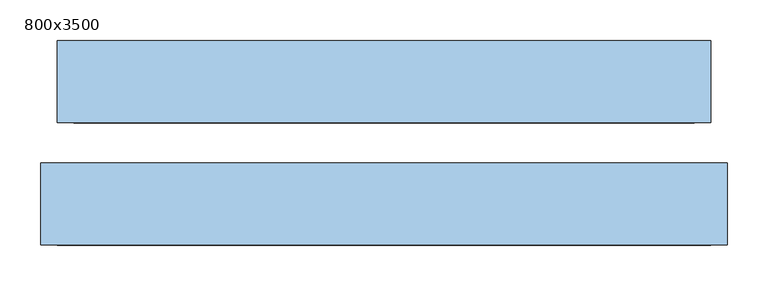
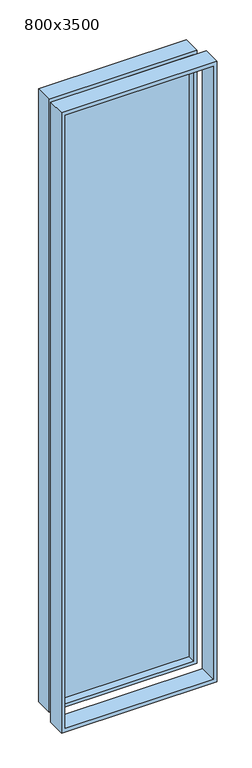
"""IFC4 building model written with IfcOpenShell, lengths in millimetres: window geometry, 800x3500."""

from ifc_helpers import new_model, si_unit, frame, origin, place, context, project, spatial, polyline, outline, extrude, source, transform, mapped, element, save


def window_800x3500_6fdb0ff2(model_context):
    return source(origin(), model_context, "Body", "SweptSolid", [
        extrude(outline(polyline([(780.0, -420.0), (780.0, 420.0), (4320.0, 420.0), (4320.0, -420.0), (780.0, -420.0)]), holes=[polyline([(800.0, 400.0), (800.0, -400.0), (4300.0, -400.0), (4300.0, 400.0), (800.0, 400.0)])]), frame((0.0, -198.9992516, 0.0), z_axis=(0.0, 1.0, 0.0), x_axis=(0.0, 0.0, 1.0)), (0.0, 0.0, 1.0), 100.0),
        extrude(outline(polyline([(380.0, 8.5007484), (380.0, -6.4992516), (-380.0, -6.4992516), (-380.0, 8.5007484), (380.0, 8.5007484)])), frame((0.0, 0.0, 820.0), z_axis=(0.0, 0.0, 1.0), x_axis=(1.0, 0.0, 0.0)), (0.0, 0.0, 1.0), 3460.0),
        extrude(outline(polyline([(800.0, -400.0), (800.0, 400.0), (4300.0, 400.0), (4300.0, -400.0), (800.0, -400.0)]), holes=[polyline([(820.0, 380.0), (820.0, -380.0), (4280.0, -380.0), (4280.0, 380.0), (820.0, 380.0)])]), frame((0.0, -48.9992516, 0.0), z_axis=(0.0, 1.0, 0.0), x_axis=(0.0, 0.0, 1.0)), (0.0, 0.0, 1.0), 100.0),
    ])


if __name__ == "__main__":
    model = new_model("IFC4")
    model_context = context("Model", 3, world=origin())
    ifc_project = project(units=[si_unit("LENGTHUNIT", "METRE", prefix="MILLI")], contexts=[model_context])
    site = spatial("IfcSite", under=ifc_project)
    building = spatial("IfcBuilding", under=site)
    placement = place(None, origin())
    window_800x3500_shape = window_800x3500_6fdb0ff2(model_context)
    element("IfcWindow", 1, ObjectType="800x3500", at=placement, inside=building, context=model_context, shape_type="MappedRepresentation", body=[
        mapped(window_800x3500_shape, transform((0.0, 0.0, 0.0), x_axis=(1.0, 0.0, 0.0), y_axis=(0.0, 1.0, 0.0), z_axis=(0.0, 0.0, 1.0))),
    ])
    save(model, "model.ifc")
